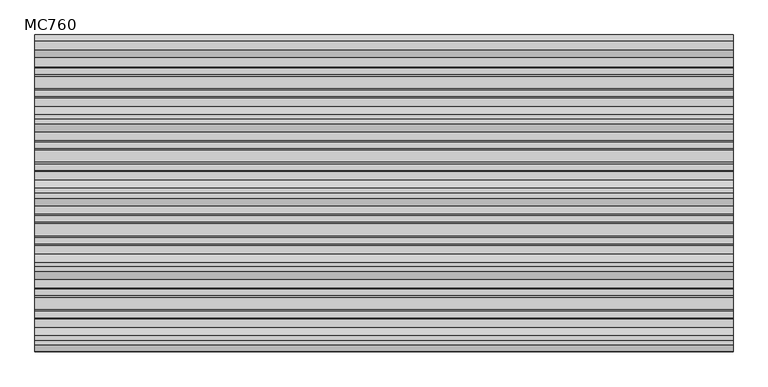
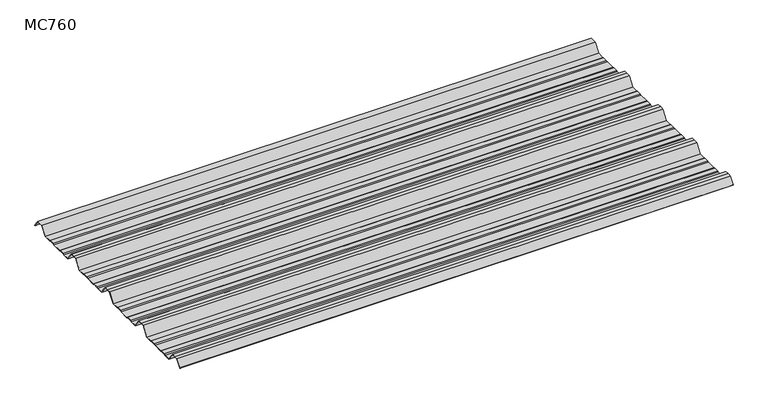
"""IFC4 building model written with IfcOpenShell, lengths in millimetres: beam geometry, MC760."""

from ifc_helpers import new_model, si_unit, point, frame, frame_2d, origin, place, context, project, spatial, polyline, circle_curve, trimmed, segment, composite_curve, outline, extrude, source, transform, mapped, element, save


def mc760_a6697007(model_context):
    return source(origin(), model_context, "Body", "SweptSolid", [
        extrude(outline(composite_curve([segment(polyline([(-157.5000859, -25.7896475), (-178.0745114, 2.2103525), (-190.0, 2.2103525), (-201.9254886, 2.2103525), (-222.4999141, -25.7896475), (-245.1975582, -25.7896475), (-248.4126024, -23.7494212), (-264.8405937, -23.7494212), (-269.2209114, -25.7896475), (-300.7790886, -25.7896475), (-305.1594063, -23.7494212), (-321.5873976, -23.7494212), (-324.8024418, -25.7896475), (-347.5000859, -25.7896475), (-368.0745114, 2.2103525), (-380.0, 2.2103525), (-391.9254886, 2.2103525), (-412.4999141, -25.7896475), (-435.1975582, -25.7896475), (-438.4126024, -23.7494212), (-454.8405937, -23.7494212), (-459.2209114, -25.7896475), (-490.7790886, -25.7896475), (-495.1594063, -23.7494212), (-511.5873976, -23.7494212), (-514.8024418, -25.7896475), (-537.5000859, -25.7896475), (-558.0745114, 2.2103525), (-570.0, 2.2103525), (-581.9254886, 2.2103525), (-602.4999141, -25.7896475), (-625.1975582, -25.7896475), (-628.4126024, -23.7494212), (-644.8405937, -23.7494212), (-649.2209114, -25.7896475), (-680.7790886, -25.7896475), (-685.1594063, -23.7494212), (-701.5873976, -23.7494212), (-704.8024418, -25.7896475), (-727.5000859, -25.7896475), (-748.0745114, 2.2103525), (-760.0, 2.2103525), (-771.9254886, 2.2103525), (-787.4770979, -18.9540324)]), True, "CONTINUOUS"), segment(trimmed(circle_curve(frame_2d((-787.9022179, -18.6416538)), 0.5275485), [point((-787.4770979, -18.9540324))], [point((-788.327338, -18.3292752))], False, "CARTESIAN"), True, "CONTINUOUS"), segment(polyline([(-788.327338, -18.3292752), (-772.5, 3.2103525), (-760.0, 3.2103525), (-747.5, 3.2103525), (-726.9255746, -24.7896475), (-705.0929563, -24.7896475), (-701.8779121, -22.7494212), (-684.9379428, -22.7494212), (-680.5576251, -24.7896475), (-649.4423749, -24.7896475), (-645.0620572, -22.7494212), (-628.1220879, -22.7494212), (-624.9070437, -24.7896475), (-603.0744254, -24.7896475), (-582.5, 3.2103525), (-570.0, 3.2103525), (-557.5, 3.2103525), (-536.9255746, -24.7896475), (-515.0929563, -24.7896475), (-511.8779121, -22.7494212), (-494.9379428, -22.7494212), (-490.5576251, -24.7896475), (-459.4423749, -24.7896475), (-455.0620572, -22.7494212), (-438.1220879, -22.7494212), (-434.9070437, -24.7896475), (-413.0744254, -24.7896475), (-392.5, 3.2103525), (-380.0, 3.2103525), (-367.5, 3.2103525), (-346.9255746, -24.7896475), (-325.0929563, -24.7896475), (-321.8779121, -22.7494212), (-304.9379428, -22.7494212), (-300.5576251, -24.7896475), (-269.4423749, -24.7896475), (-265.0620572, -22.7494212), (-248.1220879, -22.7494212), (-244.9070437, -24.7896475), (-223.0744254, -24.7896475), (-202.5, 3.2103525), (-190.0, 3.2103525), (-177.5, 3.2103525), (-156.9255746, -24.7896475), (-135.0929563, -24.7896475), (-131.8779121, -22.7494212), (-114.9379428, -22.7494212), (-110.5576251, -24.7896475), (-79.4423749, -24.7896475), (-75.0620572, -22.7494212), (-58.1220879, -22.7494212), (-54.9070437, -24.7896475), (-30.524173, -24.7896475), (-11.4193494, 1.2103525), (11.4193494, 1.2103525), (27.9327415, -21.262935)]), True, "CONTINUOUS"), segment(trimmed(circle_curve(frame_2d((27.5298212, -21.5590012)), 0.5), [point((27.9327415, -21.262935))], [point((27.1269009, -21.8550675))], False, "CARTESIAN"), True, "CONTINUOUS"), segment(polyline([(27.1269009, -21.8550675), (10.9132102, 0.2103525), (-10.9132102, 0.2103525), (-30.0180338, -25.7896475), (-55.1975582, -25.7896475), (-58.4126024, -23.7494212), (-74.8405937, -23.7494212), (-79.2209114, -25.7896475), (-110.7790886, -25.7896475), (-115.1594063, -23.7494212), (-131.5873976, -23.7494212), (-134.8024418, -25.7896475), (-157.5000859, -25.7896475)]), True, "CONTINUOUS")], self_intersect=False)), frame((-900.0, 0.0, 0.0), z_axis=(1.0, 0.0, 0.0), x_axis=(0.0, 1.0, 0.0)), (0.0, 0.0, 1.0), 1800.0),
    ])


if __name__ == "__main__":
    model = new_model("IFC4")
    model_context = context("Model", 3, world=origin())
    ifc_project = project(units=[si_unit("LENGTHUNIT", "METRE", prefix="MILLI")], contexts=[model_context])
    site = spatial("IfcSite", under=ifc_project)
    building = spatial("IfcBuilding", under=site)
    placement = place(None, origin())
    mc760_shape = mc760_a6697007(model_context)
    element("IfcBeam", 1, ObjectType="MC760", at=placement, inside=building, context=model_context, shape_type="MappedRepresentation", body=[
        mapped(mc760_shape, transform((0.0, 0.0, 0.0), x_axis=(1.0, 0.0, 0.0), y_axis=(0.0, 1.0, 0.0), z_axis=(0.0, 0.0, 1.0))),
    ])
    save(model, "model.ifc")
